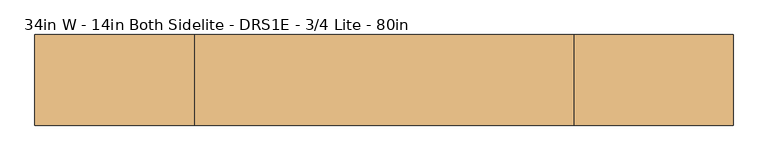
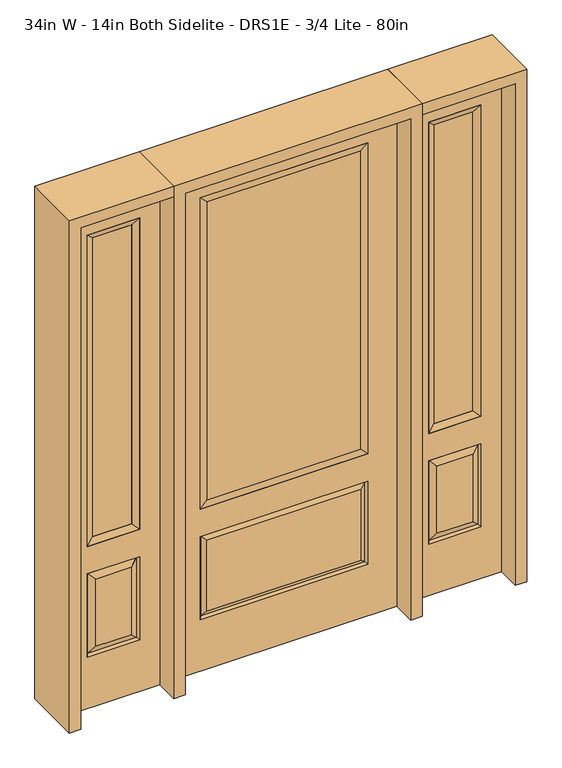
"""IFC4 building model written with IfcOpenShell, lengths in millimetres: door geometry, 34in W - 14in Both Sidelite - DRS1E - 3/4 Lite - 80in."""

from ifc_helpers import new_model, si_unit, frame, origin, place, context, project, spatial, polyline, outline, extrude, faceted_brep, source, transform, mapped, element, save


def door_34in_w_14in_both_sidelite_drs1e_3_4_lite_80in_e0d79a2d(model_context):
    return source(origin(), model_context, "Body", "SolidModel", [
        faceted_brep([(476.25, -22.225, 0.0), (831.85, -22.225, 0.0), (831.85, -22.225, 2032.0), (476.25, -22.225, 2032.0), (754.38, -22.225, 1919.224), (754.38, -22.225, 657.098), (553.72, -22.225, 657.098), (553.72, -22.225, 1919.224), (754.38, -22.225, 209.55), (553.72, -22.225, 209.55), (553.72, -22.225, 546.1), (754.38, -22.225, 546.1), (585.4351001, -22.225, 241.2651001), (722.6648999, -22.225, 241.2651001), (722.6648999, -22.225, 514.3848999), (585.4351001, -22.225, 514.3848999), (476.25, 22.225, 0.0), (476.25, 22.225, 2032.0), (831.85, 22.225, 2032.0), (831.85, 22.225, 0.0), (754.38, 22.225, 1919.224), (553.72, 22.225, 1919.224), (553.72, 22.225, 657.098), (754.38, 22.225, 657.098), (553.72, 22.225, 209.55), (754.38, 22.225, 209.55), (754.38, 22.225, 546.1), (553.72, 22.225, 546.1), (722.6648999, 22.225, 241.2651001), (585.4351001, 22.225, 241.2651001), (585.4351001, 22.225, 514.3848999), (722.6648999, 22.225, 514.3848999), (747.2711499, 12.7912373, 216.6588501), (560.8288501, 12.7912373, 216.6588501), (560.8288501, 12.7912373, 538.9911499), (747.2711499, 12.7912373, 538.9911499), (560.8288501, -12.7912373, 216.6588501), (747.2711499, -12.7912373, 216.6588501), (560.8288501, -12.7912373, 538.9911499), (747.2711499, -12.7912373, 538.9911499)], [[[0, 1, 2, 3], [4, 5, 6, 7], [8, 9, 10, 11]], [[12, 13, 14, 15]], [[16, 17, 18, 19], [20, 21, 22, 23], [24, 25, 26, 27]], [[28, 29, 30, 31]], [[1, 0, 16, 19]], [[2, 1, 19, 18]], [[3, 2, 18, 17]], [[0, 3, 17, 16]], [[5, 4, 20, 23]], [[6, 5, 23, 22]], [[7, 6, 22, 21]], [[4, 7, 21, 20]], [[32, 33, 29, 28]], [[33, 32, 25, 24]], [[29, 33, 34, 30]], [[33, 24, 27, 34]], [[30, 34, 35, 31]], [[34, 27, 26, 35]], [[32, 28, 31, 35]], [[25, 32, 35, 26]], [[12, 36, 37, 13]], [[37, 36, 9, 8]], [[36, 12, 15, 38]], [[9, 36, 38, 10]], [[38, 15, 14, 39]], [[10, 38, 39, 11]], [[13, 37, 39, 14]], [[37, 8, 11, 39]]]),
        faceted_brep([(553.72, 22.225, 1919.224), (553.72, -22.225, 1919.224), (754.38, -22.225, 1919.224), (754.38, 22.225, 1919.224), (579.12, 12.7, 1893.824), (728.98, 12.7, 1893.824), (579.12, -12.7, 1893.824), (728.98, -12.7, 1893.824), (754.38, -22.225, 657.098), (754.38, 22.225, 657.098), (728.98, 12.7, 682.498), (728.98, -12.7, 682.498), (553.72, -22.225, 657.098), (553.72, 22.225, 657.098), (579.12, 12.7, 682.498), (579.12, -12.7, 682.498)], [[[0, 1, 2, 3]], [[4, 0, 3, 5]], [[6, 4, 5, 7]], [[1, 6, 7, 2]], [[3, 2, 8, 9]], [[5, 3, 9, 10]], [[7, 5, 10, 11]], [[2, 7, 11, 8]], [[9, 8, 12, 13]], [[10, 9, 13, 14]], [[11, 10, 14, 15]], [[8, 11, 15, 12]], [[13, 12, 1, 0]], [[14, 13, 0, 4]], [[15, 14, 4, 6]], [[12, 15, 6, 1]]]),
        extrude(outline(polyline([(728.98, -12.7), (579.12, -12.7), (579.12, 12.7), (728.98, 12.7), (728.98, -12.7)])), frame((0.0, 0.0, 682.498), z_axis=(0.0, 0.0, 1.0), x_axis=(1.0, 0.0, 0.0)), (0.0, 0.0, 1.0), 1211.326),
        faceted_brep([(-831.85, -22.225, 0.0), (-476.25, -22.225, 0.0), (-476.25, -22.225, 2032.0), (-831.85, -22.225, 2032.0), (-553.72, -22.225, 1919.224), (-553.72, -22.225, 657.098), (-754.38, -22.225, 657.098), (-754.38, -22.225, 1919.224), (-553.72, -22.225, 209.55), (-754.38, -22.225, 209.55), (-754.38, -22.225, 546.1), (-553.72, -22.225, 546.1), (-722.6648999, -22.225, 241.2651001), (-585.4351001, -22.225, 241.2651001), (-585.4351001, -22.225, 514.3848999), (-722.6648999, -22.225, 514.3848999), (-831.85, 22.225, 0.0), (-831.85, 22.225, 2032.0), (-476.25, 22.225, 2032.0), (-476.25, 22.225, 0.0), (-553.72, 22.225, 1919.224), (-754.38, 22.225, 1919.224), (-754.38, 22.225, 657.098), (-553.72, 22.225, 657.098), (-754.38, 22.225, 209.55), (-553.72, 22.225, 209.55), (-553.72, 22.225, 546.1), (-754.38, 22.225, 546.1), (-585.4351001, 22.225, 241.2651001), (-722.6648999, 22.225, 241.2651001), (-722.6648999, 22.225, 514.3848999), (-585.4351001, 22.225, 514.3848999), (-560.8288501, 12.7912373, 216.6588501), (-747.2711499, 12.7912373, 216.6588501), (-747.2711499, 12.7912373, 538.9911499), (-560.8288501, 12.7912373, 538.9911499), (-747.2711499, -12.7912373, 216.6588501), (-560.8288501, -12.7912373, 216.6588501), (-747.2711499, -12.7912373, 538.9911499), (-560.8288501, -12.7912373, 538.9911499)], [[[0, 1, 2, 3], [4, 5, 6, 7], [8, 9, 10, 11]], [[12, 13, 14, 15]], [[16, 17, 18, 19], [20, 21, 22, 23], [24, 25, 26, 27]], [[28, 29, 30, 31]], [[1, 0, 16, 19]], [[2, 1, 19, 18]], [[3, 2, 18, 17]], [[0, 3, 17, 16]], [[5, 4, 20, 23]], [[6, 5, 23, 22]], [[7, 6, 22, 21]], [[4, 7, 21, 20]], [[32, 33, 29, 28]], [[33, 32, 25, 24]], [[29, 33, 34, 30]], [[33, 24, 27, 34]], [[30, 34, 35, 31]], [[34, 27, 26, 35]], [[32, 28, 31, 35]], [[25, 32, 35, 26]], [[12, 36, 37, 13]], [[37, 36, 9, 8]], [[36, 12, 15, 38]], [[9, 36, 38, 10]], [[38, 15, 14, 39]], [[10, 38, 39, 11]], [[13, 37, 39, 14]], [[37, 8, 11, 39]]]),
        faceted_brep([(-754.38, 22.225, 1919.224), (-754.38, -22.225, 1919.224), (-553.72, -22.225, 1919.224), (-553.72, 22.225, 1919.224), (-728.98, 12.7, 1893.824), (-579.12, 12.7, 1893.824), (-728.98, -12.7, 1893.824), (-579.12, -12.7, 1893.824), (-553.72, -22.225, 657.098), (-553.72, 22.225, 657.098), (-579.12, 12.7, 682.498), (-579.12, -12.7, 682.498), (-754.38, -22.225, 657.098), (-754.38, 22.225, 657.098), (-728.98, 12.7, 682.498), (-728.98, -12.7, 682.498)], [[[0, 1, 2, 3]], [[4, 0, 3, 5]], [[6, 4, 5, 7]], [[1, 6, 7, 2]], [[3, 2, 8, 9]], [[5, 3, 9, 10]], [[7, 5, 10, 11]], [[2, 7, 11, 8]], [[9, 8, 12, 13]], [[10, 9, 13, 14]], [[11, 10, 14, 15]], [[8, 11, 15, 12]], [[13, 12, 1, 0]], [[14, 13, 0, 4]], [[15, 14, 4, 6]], [[12, 15, 6, 1]]]),
        extrude(outline(polyline([(-579.12, -12.7), (-728.98, -12.7), (-728.98, 12.7), (-579.12, 12.7), (-579.12, -12.7)])), frame((0.0, 0.0, 682.498), z_axis=(0.0, 0.0, 1.0), x_axis=(1.0, 0.0, 0.0)), (0.0, 0.0, 1.0), 1211.326),
        faceted_brep([(-313.5661499, -12.7912373, 216.6588501), (313.5661499, -12.7912373, 216.6588501), (296.06875, -22.225, 234.15625), (-296.06875, -22.225, 234.15625), (-320.675, -22.225, 209.55), (320.675, -22.225, 209.55), (-313.5661499, -12.7912373, 538.9911499), (-320.675, -22.225, 546.1), (296.06875, -22.225, 521.49375), (-296.06875, -22.225, 521.49375), (431.8, -22.225, 2032.0), (-431.8, -22.225, 2032.0), (-431.8, -22.225, 0.0), (431.8, -22.225, 0.0), (320.675, -22.225, 546.1), (320.675, -22.225, 1917.7), (320.675, -22.225, 657.098), (-320.675, -22.225, 657.098), (-320.675, -22.225, 1917.7), (313.5661499, -12.7912373, 538.9911499), (-431.8, 22.225, 2032.0), (-431.8, 22.225, 0.0), (431.8, 22.225, 0.0), (431.8, 22.225, 2032.0), (320.675, 22.225, 1917.7), (320.675, 22.225, 657.098), (-320.675, 22.225, 657.098), (-320.675, 22.225, 1917.7), (-320.675, 22.225, 209.55), (320.675, 22.225, 209.55), (320.675, 22.225, 546.1), (-320.675, 22.225, 546.1), (296.06875, 22.225, 234.15625), (-296.06875, 22.225, 234.15625), (-296.06875, 22.225, 521.49375), (296.06875, 22.225, 521.49375), (-313.5661499, 12.7912373, 216.6588501), (313.5661499, 12.7912373, 216.6588501), (313.5661499, 12.7912373, 538.9911499), (-313.5661499, 12.7912373, 538.9911499)], [[[0, 1, 2, 3]], [[1, 0, 4, 5]], [[4, 0, 6, 7]], [[3, 2, 8, 9]], [[10, 11, 12, 13], [5, 4, 7, 14], [15, 16, 17, 18]], [[1, 5, 14, 19]], [[2, 1, 19, 8]], [[0, 3, 9, 6]], [[7, 6, 19, 14]], [[6, 9, 8, 19]], [[12, 11, 20, 21]], [[13, 12, 21, 22]], [[10, 13, 22, 23]], [[16, 15, 24, 25]], [[17, 16, 25, 26]], [[18, 17, 26, 27]], [[23, 22, 21, 20], [28, 29, 30, 31], [24, 27, 26, 25]], [[32, 33, 34, 35]], [[28, 36, 37, 29]], [[29, 37, 38, 30]], [[39, 31, 30, 38]], [[36, 28, 31, 39]], [[37, 36, 33, 32]], [[33, 36, 39, 34]], [[34, 39, 38, 35]], [[37, 32, 35, 38]], [[11, 10, 23, 20]], [[15, 18, 27, 24]]]),
        faceted_brep([(-320.675, -22.225, 1917.7), (-320.675, 22.225, 1917.7), (-320.675, 22.225, 657.098), (-320.675, -22.225, 657.098), (320.675, 22.225, 657.098), (320.675, -22.225, 657.098), (-295.275, 5.08, 682.498), (295.275, 5.08, 682.498), (320.675, 22.225, 1917.7), (320.675, -22.225, 1917.7), (-295.275, -20.32, 682.498), (295.275, -20.32, 682.498), (-295.275, -20.32, 1892.3), (295.275, -20.32, 1892.3), (-295.275, 5.08, 1892.3), (295.275, 5.08, 1892.3)], [[[0, 1, 2, 3]], [[3, 2, 4, 5]], [[2, 6, 7, 4]], [[5, 4, 8, 9]], [[10, 3, 5, 11]], [[12, 0, 3, 10]], [[11, 5, 9, 13]], [[6, 10, 11, 7]], [[14, 12, 10, 6]], [[7, 11, 13, 15]], [[1, 14, 6, 2]], [[4, 7, 15, 8]], [[9, 8, 1, 0]], [[13, 9, 0, 12]], [[15, 13, 12, 14]], [[8, 15, 14, 1]]]),
        extrude(outline(polyline([(295.275, -20.32), (-295.275, -20.32), (-295.275, 5.08), (295.275, 5.08), (295.275, -20.32)])), frame((0.0, 0.0, 682.498), z_axis=(0.0, 0.0, 1.0), x_axis=(1.0, 0.0, 0.0)), (0.0, 0.0, 1.0), 1209.802),
        extrude(outline(polyline([(2032.0, -476.25), (2076.45, -476.25), (2076.45, -876.3), (0.0, -876.3), (0.0, -831.85), (2032.0, -831.85), (2032.0, -476.25)])), frame((0.0, -114.3, 0.0), z_axis=(0.0, 1.0, 0.0), x_axis=(0.0, 0.0, 1.0)), (0.0, 0.0, 1.0), 228.6),
        extrude(outline(polyline([(2076.45, -476.25), (0.0, -476.25), (0.0, -431.8), (2032.0, -431.8), (2032.0, 431.8), (0.0, 431.8), (0.0, 476.25), (2076.45, 476.25), (2076.45, -476.25)])), frame((0.0, -114.3, 0.0), z_axis=(0.0, 1.0, 0.0), x_axis=(0.0, 0.0, 1.0)), (0.0, 0.0, 1.0), 228.6),
        extrude(outline(polyline([(0.0, 831.85), (0.0, 876.3), (2076.45, 876.3), (2076.45, 476.25), (2032.0, 476.25), (2032.0, 831.85), (0.0, 831.85)])), frame((0.0, -114.3, 0.0), z_axis=(0.0, 1.0, 0.0), x_axis=(0.0, 0.0, 1.0)), (0.0, 0.0, 1.0), 228.6),
    ])


if __name__ == "__main__":
    model = new_model("IFC4")
    model_context = context("Model", 3, world=origin())
    ifc_project = project(units=[si_unit("LENGTHUNIT", "METRE", prefix="MILLI")], contexts=[model_context])
    site = spatial("IfcSite", under=ifc_project)
    building = spatial("IfcBuilding", under=site)
    placement = place(None, origin())
    door_34in_w_14in_both_sidelite_drs1e_3_4_lite_80in_shape = door_34in_w_14in_both_sidelite_drs1e_3_4_lite_80in_e0d79a2d(model_context)
    element("IfcDoor", 1, ObjectType="34in W - 14in Both Sidelite - DRS1E - 3/4 Lite - 80in", at=placement, inside=building, context=model_context, shape_type="MappedRepresentation", body=[
        mapped(door_34in_w_14in_both_sidelite_drs1e_3_4_lite_80in_shape, transform((0.0, 0.0, 0.0), x_axis=(1.0, 0.0, 0.0), y_axis=(0.0, 1.0, 0.0), z_axis=(0.0, 0.0, 1.0))),
    ])
    save(model, "model.ifc")
